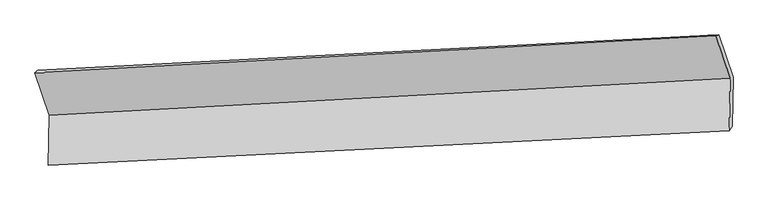
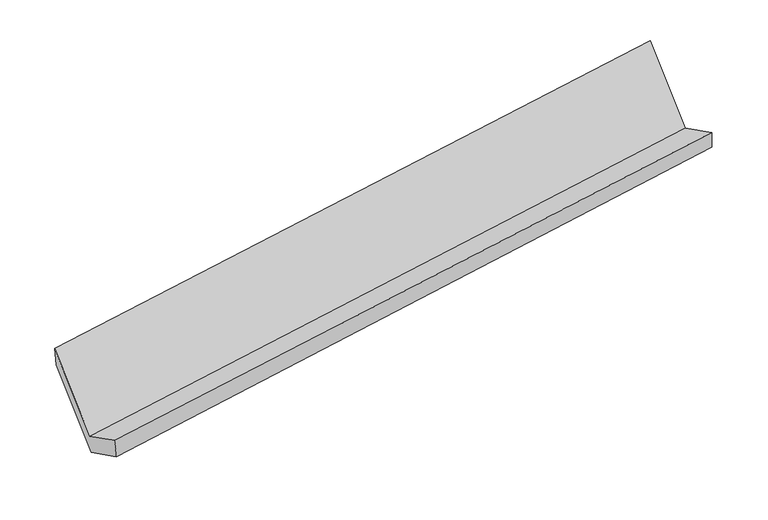
"""IFC4 building model written with IfcOpenShell, lengths in millimetres: proxy geometry."""

import ifcopenshell
import ifcopenshell.guid

model = None  # the IFC model being written
_history = None  # IfcOwnerHistory: only IFC2X3 demands one
_inside = {}  # id of a spatial element -> (the spatial element, [elements in it])
_under = {}  # id of a project, library or spatial element -> (it, [spatial elements below it])
_declared = {}  # id of a project -> (the project, [libraries it declares])
_typed = {}  # id of a type object -> (the type object, [elements of that type])
_made_of = {}  # id of a material, layer set ... -> (it, [elements and type objects made of it])


def new_model(schema):
    """Start an empty IFC model of exactly this schema.

    Asked for "IFC4X3", IfcOpenShell would pick the latest addendum, in which some entities
    have other attributes; the version numbers below select the first issue.
    IFC2X3 requires an IfcOwnerHistory on every rooted entity: one is made here for all.
    """
    global model, _history
    if schema == "IFC4X3":
        model = ifcopenshell.file(schema_version=(4, 3, 0, 0))
    else:
        model = ifcopenshell.file(schema=schema)
    _inside.clear()
    _under.clear()
    _declared.clear()
    _typed.clear()
    _made_of.clear()
    _history = None
    if model.schema == "IFC2X3":
        org = make("IfcOrganization", Name="unknown")
        user = make(
            "IfcPersonAndOrganization",
            ThePerson=make("IfcPerson", FamilyName="unknown"),
            TheOrganization=org,
        )
        app = make(
            "IfcApplication",
            ApplicationDeveloper=org,
            Version="unknown",
            ApplicationFullName="unknown",
            ApplicationIdentifier="unknown",
        )
        _history = make(
            "IfcOwnerHistory",
            OwningUser=user,
            OwningApplication=app,
            ChangeAction="ADDED",
            CreationDate=0,
        )
    return model


def make(cls, **values):
    """One entity of the class cls with the attributes given. An attribute that is None is left unset."""
    return model.create_entity(
        cls, **{name: value for name, value in values.items() if value is not None}
    )


def rooted(cls, **values):
    """An entity with a GlobalId (a new one), such as an element, a storey or a relation."""
    return make(cls, GlobalId=ifcopenshell.guid.new(), OwnerHistory=_history, **values)


def si_unit(unit_type, name, prefix=None):
    """IfcSIUnit, for example si_unit("LENGTHUNIT", "METRE", prefix="MILLI")."""
    return make("IfcSIUnit", UnitType=unit_type, Prefix=prefix, Name=name)


def assignment(units):
    """IfcUnitAssignment: the units of a project."""
    return None if units is None else make("IfcUnitAssignment", Units=units)


def point(xyz):
    """IfcCartesianPoint."""
    return None if xyz is None else make("IfcCartesianPoint", Coordinates=xyz)


def direction(xyz):
    """IfcDirection."""
    return None if xyz is None else make("IfcDirection", DirectionRatios=xyz)


def frame(location, z_axis=None, x_axis=None):
    """IfcAxis2Placement3D, a coordinate frame: its origin and axes. An axis left out is left unset."""
    return make(
        "IfcAxis2Placement3D",
        Location=point(location),
        Axis=direction(z_axis),
        RefDirection=direction(x_axis),
    )


def origin():
    """The frame at (0, 0, 0) with its axes left unset."""
    return frame((0.0, 0.0, 0.0))


def place(relative_to, where):
    """IfcLocalPlacement: puts the frame where relative to a parent placement (None: the world)."""
    return make(
        "IfcLocalPlacement", PlacementRelTo=relative_to, RelativePlacement=where
    )


def context(
    kind, dimensions, precision=None, world=None, true_north=None, identifier=None
):
    """IfcGeometricRepresentationContext, for example the 3D "Model" context."""
    return make(
        "IfcGeometricRepresentationContext",
        ContextIdentifier=identifier,
        ContextType=kind,
        CoordinateSpaceDimension=dimensions,
        Precision=precision,
        WorldCoordinateSystem=world,
        TrueNorth=true_north,
    )


def project(units=None, contexts=None):
    """IfcProject with its units and contexts."""
    return rooted(
        "IfcProject",
        Name="project",
        RepresentationContexts=contexts,
        UnitsInContext=assignment(units),
    )


def spatial(cls, under=None, at=None, **own):
    """A site, building, storey or space (cls), placed at a placement, below another one or the project."""
    s = rooted(cls, ObjectPlacement=at, **own)
    if under is not None:
        _under.setdefault(under.id(), (under, []))[1].append(s)
    return s


def shape(context_of_items, identifier, shape_type, items):
    """IfcShapeRepresentation: the items that make up one representation, for example the "Body"."""
    return make(
        "IfcShapeRepresentation",
        ContextOfItems=context_of_items,
        RepresentationIdentifier=identifier,
        RepresentationType=shape_type,
        Items=items,
    )


def source(mapping_origin, context_of_items, identifier, shape_type, items):
    """IfcRepresentationMap: a shape defined once, which mapped items show again and again."""
    return make(
        "IfcRepresentationMap",
        MappingOrigin=mapping_origin,
        MappedRepresentation=shape(context_of_items, identifier, shape_type, items),
    )


def transform(
    local_origin,
    x_axis=None,
    y_axis=None,
    z_axis=None,
    scale=None,
    scale2=None,
    scale3=None,
    uniform=True,
):
    """IfcCartesianTransformationOperator3D, or its non-uniform kind. x_axis, y_axis, z_axis: its Axis1, 2, 3."""
    if uniform:
        return make(
            "IfcCartesianTransformationOperator3D",
            Axis1=direction(x_axis),
            Axis2=direction(y_axis),
            LocalOrigin=point(local_origin),
            Scale=scale,
            Axis3=direction(z_axis),
        )
    return make(
        "IfcCartesianTransformationOperator3DnonUniform",
        Axis1=direction(x_axis),
        Axis2=direction(y_axis),
        LocalOrigin=point(local_origin),
        Scale=scale,
        Axis3=direction(z_axis),
        Scale2=scale2,
        Scale3=scale3,
    )


def mapped(mapping_source, mapping_target):
    """IfcMappedItem: shows the shape of a source again, moved by a transform."""
    return make(
        "IfcMappedItem", MappingSource=mapping_source, MappingTarget=mapping_target
    )


def made_of(thing, what):
    """Note that an element or type object is made of a material, layer set ...; save() writes the relation."""
    if what is not None:
        _made_of.setdefault(what.id(), (what, []))[1].append(thing)
    return thing


def element(
    cls,
    number,
    at=None,
    inside=None,
    cuts=None,
    type_object=None,
    material=None,
    context=None,
    identifier="Body",
    shape_type=None,
    held_by="IfcProductDefinitionShape",
    body=None,
    shapes=None,
    **own,
):
    """One element of the class cls, such as IfcWall. Its Tag is "e" and its number.

    at: its placement. inside: the storey or other place that contains it. cuts: it is an
    opening in that element (IfcRelVoidsElement). A single representation is given by context,
    identifier, shape_type and body (its items); several are given by shapes. held_by: the class
    of the entity that holds the representations. save() writes the other relations.
    """
    e = rooted(cls, Tag="e%d" % number, ObjectPlacement=at, **own)
    if body is not None:
        shapes = [shape(context, identifier, shape_type, body)]
    if shapes is not None:
        e.Representation = make(held_by, Representations=shapes)
    if inside is not None:
        _inside.setdefault(inside.id(), (inside, []))[1].append(e)
    if cuts is not None:
        rooted(
            "IfcRelVoidsElement", RelatingBuildingElement=cuts, RelatedOpeningElement=e
        )
    if type_object is not None:
        _typed.setdefault(type_object.id(), (type_object, []))[1].append(e)
    return made_of(e, material)


def aggregate(whole, parts):
    """IfcRelAggregates: a whole, such as a stair, and the parts it consists of."""
    return rooted("IfcRelAggregates", RelatingObject=whole, RelatedObjects=parts)


def save(model, path):
    """Write the relations noted so far, then the file.

    IfcRelAggregates (storeys below a building ...), IfcRelContainedInSpatialStructure (elements
    in a storey), IfcRelDefinesByType, IfcRelAssociatesMaterial and IfcRelDeclares: one each for
    every whole, place, type object, material and project.
    """
    for whole, parts in _under.values():
        aggregate(whole, parts)
    for where, things in _inside.values():
        rooted(
            "IfcRelContainedInSpatialStructure",
            RelatedElements=things,
            RelatingStructure=where,
        )
    for kind, things in _typed.values():
        rooted("IfcRelDefinesByType", RelatedObjects=things, RelatingType=kind)
    for what, things in _made_of.values():
        rooted("IfcRelAssociatesMaterial", RelatedObjects=things, RelatingMaterial=what)
    for by, libraries in _declared.values():
        rooted("IfcRelDeclares", RelatingContext=by, RelatedDefinitions=libraries)
    model.write(path)


def plane_surface(at):
    """IfcPlane: the flat surface through the origin of the frame at, square to its z axis."""
    return make("IfcPlane", Position=at)


def spline_surface(u_degree, v_degree, points, u_multiplicities, v_multiplicities, u_knots, v_knots, weights=None):
    """IfcBSplineSurfaceWithKnots; with weights, IfcRationalBSplineSurfaceWithKnots. points: one row for each step in u."""
    own = dict(
        UDegree=u_degree,
        VDegree=v_degree,
        ControlPointsList=[[point(p) for p in row] for row in points],
        SurfaceForm="UNSPECIFIED",
        UClosed=False,
        VClosed=False,
        SelfIntersect=False,
        UMultiplicities=u_multiplicities,
        VMultiplicities=v_multiplicities,
        UKnots=u_knots,
        VKnots=v_knots,
        KnotSpec="UNSPECIFIED",
    )
    if weights is None:
        return make("IfcBSplineSurfaceWithKnots", **own)
    return make("IfcRationalBSplineSurfaceWithKnots", WeightsData=weights, **own)


def advanced_brep(points, edges, surfaces, faces):
    """IfcAdvancedBrep: a solid bounded by faces that lie on surfaces and meet in shared edges.

    An edge is (start, end): straight between two places in points (the first is 0);
    or (start, end, curve); or (start, end, curve, False) where it runs against its curve.
    A face is (place in surfaces, loops), or (place, loops, False) where it looks against
    its surface's normal. A loop lists edges by number (the first is 1), with a minus sign
    where the edge is run from its end to its start. The first loop is the outer one.
    """
    corners = [point(p) for p in points]
    vertices = [make("IfcVertexPoint", VertexGeometry=c) for c in corners]
    made = []
    for start, end, *more in edges:
        made.append(
            make(
                "IfcEdgeCurve",
                EdgeStart=vertices[start],
                EdgeEnd=vertices[end],
                EdgeGeometry=more[0] if more else make("IfcPolyline", Points=[corners[start], corners[end]]),
                SameSense=more[1] if len(more) > 1 else True,
            )
        )
    hull = []
    for where, loops, *sense in faces:
        bounds = []
        for j, loop in enumerate(loops):
            ring = [make("IfcOrientedEdge", EdgeElement=made[abs(k) - 1], Orientation=k > 0) for k in loop]
            bounds.append(
                make(
                    "IfcFaceOuterBound" if j == 0 else "IfcFaceBound",
                    Bound=make("IfcEdgeLoop", EdgeList=ring),
                    Orientation=True,
                )
            )
        hull.append(make("IfcAdvancedFace", Bounds=bounds, FaceSurface=surfaces[where], SameSense=sense[0] if sense else True))
    return make("IfcAdvancedBrep", Outer=make("IfcClosedShell", CfsFaces=hull))


def generic_models_9bfc42db(model_context):
    return source(origin(), model_context, "Body", "AdvancedBrep", [
        advanced_brep(
        [(-5236.615801, -1623.7402508, 1391.446128), (-5243.9945056, -1976.2010848, 1571.661318), (-440.340045, -1732.5463148, 2288.8156886), (-432.5886128, -1362.2812834, 2099.4971132), (-5222.3588751, -1958.6840806, 1420.212229), (-420.0792385, -1701.6046597, 2141.5960921), (-5214.9335485, -1603.9962347, 1238.8583554), (-412.8402757, -1355.8189126, 1964.7939112), (-5317.7707036, -1306.0907576, 1817.2846686), (-515.6774308, -1057.9134354, 2543.2202244), (-5339.529657, -1325.6125816, 1970.303859), (-535.5024687, -1064.1536143, 2678.3548442)],
        [
            (0, 1),
            (1, 2),
            (2, 3),
            (3, 0),
            (1, 4),
            (4, 5),
            (5, 2),
            (4, 6),
            (6, 7),
            (7, 5),
            (6, 8),
            (8, 9),
            (9, 7),
            (8, 10),
            (10, 11),
            (11, 9),
            (10, 0),
            (3, 11),
        ],
        [
            plane_surface(frame((-5240.3051533, -1799.9706678, 1481.553723), z_axis=(-0.15408766610570016, 0.4523667352439827, 0.8784197903046121), x_axis=(-0.018636384470417874, -0.8902098732297741, 0.4551692726646872))),
            spline_surface(1, 1, [[(-5243.9945056, -1976.2010848, 1571.661318), (-440.340045, -1732.5463148, 2288.8156886)], [(-5222.3588751, -1958.6840806, 1420.212229), (-420.0792385, -1701.6046597, 2141.5960921)]], [2, 2], [2, 2], [0.0, 1.0], [0.0, 1.0]),
            plane_surface(frame((-5218.6462118, -1781.3401576, 1329.5352922), z_axis=(0.15611878110138766, -0.4522552177244005, -0.8781185251596006), x_axis=(0.018636384470417863, 0.8902098732297737, -0.4551692726646879))),
            plane_surface(frame((-5266.352126, -1455.0434961, 1528.071512), z_axis=(0.022697770920944604, 0.8904272906040694, -0.4545591835423815), x_axis=(-0.15611878110138194, 0.4522552177243947, 0.8781185251596046))),
            spline_surface(1, 1, [[(-5317.7707036, -1306.0907576, 1817.2846686), (-515.6774308, -1057.9134354, 2543.2202244)], [(-5339.529657, -1325.6125816, 1970.303859), (-535.5024687, -1064.1536143, 2678.3548442)]], [2, 2], [2, 2], [0.0, 1.0], [0.0, 1.0]),
            plane_surface(frame((-5288.072729, -1474.6764162, 1680.8749935), z_axis=(-0.018636384470419293, -0.890209873229773, 0.45516927266468954), x_axis=(0.15611878110138322, -0.4522552177244026, -0.8781185251596003))),
            plane_surface(frame((-459.5046786, -1379.0530367, 2286.0463123), z_axis=(0.98756245947347, 0.054695517597739045, 0.14740688244931602), x_axis=(-0.1450008686535973, -0.04564083815361163, 0.9883782990243858))),
            plane_surface(frame((-5262.5338485, -1632.3874983, 1568.2944263), z_axis=(-0.9875624594734701, -0.05469551759773761, -0.1474068824493168), x_axis=(-0.15611878110138327, 0.45225521772440247, 0.8781185251596004))),
        ],
        [
            (0, [[1, 2, 3, 4]]),
            (1, [[5, 6, 7, -2]]),
            (2, [[8, 9, 10, -6]]),
            (3, [[11, 12, 13, -9]]),
            (4, [[14, 15, 16, -12]]),
            (5, [[17, -4, 18, -15]]),
            (6, [[-16, -18, -3, -7, -10, -13]]),
            (7, [[-17, -14, -11, -8, -5, -1]]),
        ],
    ),
    ])


if __name__ == "__main__":
    model = new_model("IFC4")
    model_context = context("Model", 3, world=origin())
    ifc_project = project(units=[si_unit("LENGTHUNIT", "METRE", prefix="MILLI")], contexts=[model_context])
    site = spatial("IfcSite", under=ifc_project)
    building = spatial("IfcBuilding", under=site)
    placement = place(None, origin())
    generic_models_shape = generic_models_9bfc42db(model_context)
    element("IfcBuildingElementProxy", 1, Name="Generic Models", at=placement, inside=building, context=model_context, shape_type="MappedRepresentation", body=[
        mapped(generic_models_shape, transform((0.0, 0.0, 0.0), x_axis=(1.0, 0.0, 0.0), y_axis=(0.0, 1.0, 0.0), z_axis=(0.0, 0.0, 1.0))),
    ])
    save(model, "model.ifc")
